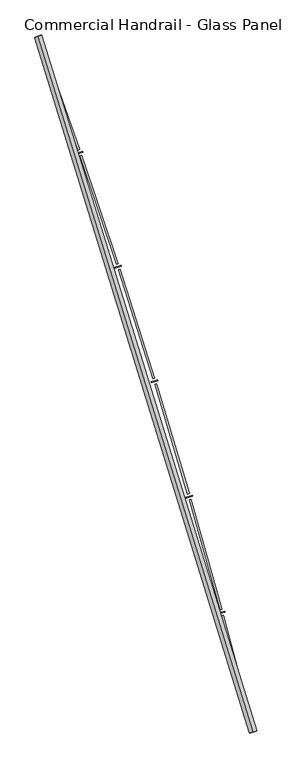
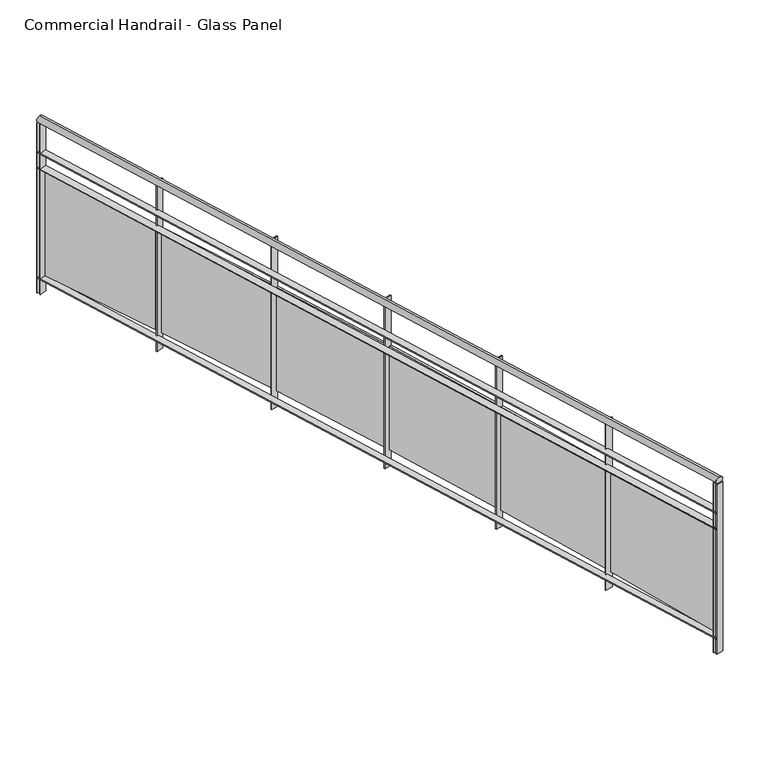
"""IFC4 building model written with IfcOpenShell, lengths in millimetres: railing geometry, Commercial Handrail - Glass Panel."""

from ifc_helpers import new_model, si_unit, point, frame, origin, place, context, project, spatial, polyline, circle_curve, ellipse_curve, trimmed, outline, extrude, source, transform, mapped, element, save
from ifc_brep_helpers import plane_surface, cylinder_surface, revolved_surface, advanced_brep


def commercial_handrail_glass_panel_bb41886c(model_context):
    return source(origin(), model_context, "Body", "SolidModel", [
        advanced_brep(
        [(180775.6028582, -41782.2225015, 23082.5), (179346.0628414, -37160.8311359, 23082.5), (179346.0628414, -37160.8311359, 23117.5), (180775.6028582, -41782.2225015, 23117.5)],
        [
            (0, 1, circle_curve(frame((134505.1876621, -53563.3040857, 23082.5), z_axis=(0.0, 0.0, 1.0), x_axis=(0.9391412678699065, 0.3435311906999195, 0.0)), 47746.6774311)),
            (1, 2, ellipse_curve(frame((179346.0628414, -37160.8311359, 23100.0), z_axis=(0.34353119069991367, -0.9391412678699088, 0.0), x_axis=(-0.9391412678699086, -0.3435311906999136, 0.0)), 25.0, 17.5)),
            (2, 3, circle_curve(frame((134505.1876621, -53563.3040857, 23117.5), z_axis=(0.0, 0.0, -1.0), x_axis=(0.9391412678699065, 0.3435311906999195, 0.0)), 47746.6774311)),
            (3, 0, ellipse_curve(frame((180775.6028582, -41782.2225015, 23100.0), z_axis=(-0.24674139056469277, 0.9690813620033158, 0.0), x_axis=(-0.9690813620033158, -0.24674139056469277, 0.0)), 25.0, 17.5)),
            (2, 1, ellipse_curve(frame((179346.0628414, -37160.8311359, 23100.0), z_axis=(0.34353119069991367, -0.9391412678699088, 0.0), x_axis=(-0.9391412678699086, -0.3435311906999136, 0.0)), 25.0, 17.5)),
            (0, 3, ellipse_curve(frame((180775.6028582, -41782.2225015, 23100.0), z_axis=(-0.24674139056469277, 0.9690813620033158, 0.0), x_axis=(-0.9690813620033158, -0.24674139056469277, 0.0)), 25.0, 17.5)),
        ],
        [
            revolved_surface(trimmed(ellipse_curve(frame((179346.0628414, -37160.8311359, 23100.0), z_axis=(-0.3435311906999195, 0.9391412678699065, 0.0), x_axis=(0.0, 0.0, -1.0)), 17.5, 25.0), [point((179346.0628414, -37160.8311359, 23117.5))], [point((179346.0628414, -37160.8311359, 23082.5))], True, "CARTESIAN"), (134505.1876621, -53563.3040857, 23100.0), (0.0, 0.0, -1.0)),
            revolved_surface(trimmed(ellipse_curve(frame((179346.0628414, -37160.8311359, 23100.0), z_axis=(-0.3435311906999195, 0.9391412678699065, 0.0), x_axis=(0.0, 0.0, -1.0)), 17.5, 25.0), [point((179346.0628414, -37160.8311359, 23082.5))], [point((179346.0628414, -37160.8311359, 23117.5))], True, "CARTESIAN"), (134505.1876621, -53563.3040857, 23100.0), (0.0, 0.0, -1.0)),
            plane_surface(frame((179346.0628414, -37160.8311359, 23100.0), z_axis=(-0.3435311906999195, 0.9391412678699065, 0.0), x_axis=(0.9391412678699065, 0.3435311906999195, 0.0))),
            plane_surface(frame((180775.6028582, -41782.2225015, 23100.0), z_axis=(0.24674139056469271, -0.9690813620033158, 0.0), x_axis=(0.9690813620033158, 0.24674139056469271, 0.0))),
        ],
        [
            (0, [[1, 2, 3, 4]]),
            (1, [[-3, 5, -1, 6]]),
            (2, [[-2, -5]]),
            (3, [[-6, -4]]),
        ],
    ),
        advanced_brep(
        [(180797.4071889, -41776.6708203, 22900.0), (179367.1935199, -37153.1016841, 22900.0), (179324.9321629, -37168.5605877, 22900.0), (180753.7985276, -41787.7741828, 22900.0), (180797.4071889, -41776.6708203, 22894.0), (179367.1935199, -37153.1016841, 22894.0), (180753.7985276, -41787.7741828, 22894.0), (179324.9321629, -37168.5605877, 22894.0)],
        [
            (0, 1, circle_curve(frame((134505.1876621, -53563.3040857, 22900.0), z_axis=(0.0, 0.0, 1.0), x_axis=(0.9391412678699065, 0.3435311906999195, 0.0)), 47769.1774311)),
            (1, 2),
            (2, 3, circle_curve(frame((134505.1876621, -53563.3040857, 22900.0), z_axis=(0.0, 0.0, -1.0), x_axis=(0.9391412678699065, 0.3435311906999195, 0.0)), 47724.1774311)),
            (3, 0),
            (4, 5, circle_curve(frame((134505.1876621, -53563.3040857, 22894.0), z_axis=(0.0, 0.0, 1.0), x_axis=(0.9391412678699065, 0.3435311906999195, 0.0)), 47769.1774311)),
            (5, 1),
            (0, 4),
            (6, 7, circle_curve(frame((134505.1876621, -53563.3040857, 22894.0), z_axis=(0.0, 0.0, 1.0), x_axis=(0.9391412678699065, 0.3435311906999195, 0.0)), 47724.1774311)),
            (7, 5),
            (4, 6),
            (2, 7),
            (6, 3),
        ],
        [
            plane_surface(frame((134505.1876621, -53563.3040857, 22900.0), z_axis=(0.0, 0.0, 1.0), x_axis=(0.9391412678699065, 0.3435311906999195, 0.0))),
            cylinder_surface(frame((134505.1876621, -53563.3040857, 22900.0), z_axis=(0.0, 0.0, -1.0), x_axis=(0.9391412678699065, 0.3435311906999195, 0.0)), 47769.1774311),
            plane_surface(frame((134505.1876621, -53563.3040857, 22894.0), z_axis=(0.0, 0.0, -1.0), x_axis=(0.9391412678699065, 0.3435311906999195, 0.0))),
            revolved_surface(polyline([(179324.93216279164, -37168.56058762, 22894.0), (179324.93216279164, -37168.56058762, 22900.0)]), (134505.1876621, -53563.3040857, 22900.0), (0.0, 0.0, -1.0)),
            plane_surface(frame((179346.0628414, -37160.8311359, 22900.0), z_axis=(-0.3435311906999195, 0.9391412678699065, 0.0), x_axis=(0.9391412678699065, 0.3435311906999195, 0.0))),
            plane_surface(frame((180775.6028582, -41782.2225015, 22900.0), z_axis=(0.24674139056469271, -0.9690813620033158, 0.0), x_axis=(0.9690813620033158, 0.24674139056469271, 0.0))),
        ],
        [
            (0, [[1, 2, 3, 4]]),
            (1, [[5, 6, -1, 7]]),
            (2, [[8, 9, -5, 10]]),
            (3, [[-3, 11, -8, 12]]),
            (4, [[-2, -6, -9, -11]]),
            (5, [[-12, -10, -7, -4]]),
        ],
    ),
        advanced_brep(
        [(180797.4071889, -41776.6708203, 22800.0), (179367.1935199, -37153.1016841, 22800.0), (179324.9321629, -37168.5605877, 22800.0), (180753.7985276, -41787.7741828, 22800.0), (180797.4071889, -41776.6708203, 22794.0), (179367.1935199, -37153.1016841, 22794.0), (180753.7985276, -41787.7741828, 22794.0), (179324.9321629, -37168.5605877, 22794.0)],
        [
            (0, 1, circle_curve(frame((134505.1876621, -53563.3040857, 22800.0), z_axis=(0.0, 0.0, 1.0), x_axis=(0.9391412678699065, 0.3435311906999195, 0.0)), 47769.1774311)),
            (1, 2),
            (2, 3, circle_curve(frame((134505.1876621, -53563.3040857, 22800.0), z_axis=(0.0, 0.0, -1.0), x_axis=(0.9391412678699065, 0.3435311906999195, 0.0)), 47724.1774311)),
            (3, 0),
            (4, 5, circle_curve(frame((134505.1876621, -53563.3040857, 22794.0), z_axis=(0.0, 0.0, 1.0), x_axis=(0.9391412678699065, 0.3435311906999195, 0.0)), 47769.1774311)),
            (5, 1),
            (0, 4),
            (6, 7, circle_curve(frame((134505.1876621, -53563.3040857, 22794.0), z_axis=(0.0, 0.0, 1.0), x_axis=(0.9391412678699065, 0.3435311906999195, 0.0)), 47724.1774311)),
            (7, 5),
            (4, 6),
            (2, 7),
            (6, 3),
        ],
        [
            plane_surface(frame((134505.1876621, -53563.3040857, 22800.0), z_axis=(0.0, 0.0, 1.0), x_axis=(0.9391412678699065, 0.3435311906999195, 0.0))),
            cylinder_surface(frame((134505.1876621, -53563.3040857, 22800.0), z_axis=(0.0, 0.0, -1.0), x_axis=(0.9391412678699065, 0.3435311906999195, 0.0)), 47769.1774311),
            plane_surface(frame((134505.1876621, -53563.3040857, 22794.0), z_axis=(0.0, 0.0, -1.0), x_axis=(0.9391412678699065, 0.3435311906999195, 0.0))),
            revolved_surface(polyline([(179324.93216279164, -37168.56058762, 22794.0), (179324.93216279164, -37168.56058762, 22800.0)]), (134505.1876621, -53563.3040857, 22800.0), (0.0, 0.0, -1.0)),
            plane_surface(frame((179346.0628414, -37160.8311359, 22800.0), z_axis=(-0.3435311906999195, 0.9391412678699065, 0.0), x_axis=(0.9391412678699065, 0.3435311906999195, 0.0))),
            plane_surface(frame((180775.6028582, -41782.2225015, 22800.0), z_axis=(0.24674139056469271, -0.9690813620033158, 0.0), x_axis=(0.9690813620033158, 0.24674139056469271, 0.0))),
        ],
        [
            (0, [[1, 2, 3, 4]]),
            (1, [[5, 6, -1, 7]]),
            (2, [[8, 9, -5, 10]]),
            (3, [[-3, 11, -8, 12]]),
            (4, [[-2, -6, -9, -11]]),
            (5, [[-12, -10, -7, -4]]),
        ],
    ),
        advanced_brep(
        [(180797.4071889, -41776.6708203, 22100.0), (179367.1935199, -37153.1016841, 22100.0), (179324.9321629, -37168.5605877, 22100.0), (180753.7985276, -41787.7741828, 22100.0), (180797.4071889, -41776.6708203, 22094.0), (179367.1935199, -37153.1016841, 22094.0), (180753.7985276, -41787.7741828, 22094.0), (179324.9321629, -37168.5605877, 22094.0)],
        [
            (0, 1, circle_curve(frame((134505.1876621, -53563.3040857, 22100.0), z_axis=(0.0, 0.0, 1.0), x_axis=(0.9391412678699065, 0.3435311906999195, 0.0)), 47769.1774311)),
            (1, 2),
            (2, 3, circle_curve(frame((134505.1876621, -53563.3040857, 22100.0), z_axis=(0.0, 0.0, -1.0), x_axis=(0.9391412678699065, 0.3435311906999195, 0.0)), 47724.1774311)),
            (3, 0),
            (4, 5, circle_curve(frame((134505.1876621, -53563.3040857, 22094.0), z_axis=(0.0, 0.0, 1.0), x_axis=(0.9391412678699065, 0.3435311906999195, 0.0)), 47769.1774311)),
            (5, 1),
            (0, 4),
            (6, 7, circle_curve(frame((134505.1876621, -53563.3040857, 22094.0), z_axis=(0.0, 0.0, 1.0), x_axis=(0.9391412678699065, 0.3435311906999195, 0.0)), 47724.1774311)),
            (7, 5),
            (4, 6),
            (2, 7),
            (6, 3),
        ],
        [
            plane_surface(frame((134505.1876621, -53563.3040857, 22100.0), z_axis=(0.0, 0.0, 1.0), x_axis=(0.9391412678699065, 0.3435311906999195, 0.0))),
            cylinder_surface(frame((134505.1876621, -53563.3040857, 22100.0), z_axis=(0.0, 0.0, -1.0), x_axis=(0.9391412678699065, 0.3435311906999195, 0.0)), 47769.1774311),
            plane_surface(frame((134505.1876621, -53563.3040857, 22094.0), z_axis=(0.0, 0.0, -1.0), x_axis=(0.9391412678699065, 0.3435311906999195, 0.0))),
            revolved_surface(polyline([(179324.93216279164, -37168.56058762, 22094.0), (179324.93216279164, -37168.56058762, 22100.0)]), (134505.1876621, -53563.3040857, 22100.0), (0.0, 0.0, -1.0)),
            plane_surface(frame((179346.0628414, -37160.8311359, 22100.0), z_axis=(-0.3435311906999195, 0.9391412678699065, 0.0), x_axis=(0.9391412678699065, 0.3435311906999195, 0.0))),
            plane_surface(frame((180775.6028582, -41782.2225015, 22100.0), z_axis=(0.24674139056469271, -0.9690813620033158, 0.0), x_axis=(0.9690813620033158, 0.24674139056469271, 0.0))),
        ],
        [
            (0, [[1, 2, 3, 4]]),
            (1, [[5, 6, -1, 7]]),
            (2, [[8, 9, -5, 10]]),
            (3, [[-3, 11, -8, 12]]),
            (4, [[-2, -6, -9, -11]]),
            (5, [[-12, -10, -7, -4]]),
        ],
    ),
        extrude(outline(polyline([(180748.1806794, -41765.7315693), (180791.7847427, -41754.6101634), (180793.2675968, -41760.4240385), (180749.6635336, -41771.5454444), (180748.1806794, -41765.7315693)])), frame((0.0, 0.0, 22000.0), z_axis=(0.0, 0.0, 1.0), x_axis=(1.0, 0.0, 0.0)), (0.0, 0.0, 1.0), 1082.1192282),
        extrude(outline(polyline([(180579.0506002, -41006.960836), (180773.041554, -41741.7856518), (180761.4390569, -41744.8486668), (180567.4481031, -41010.0238511), (180579.0506002, -41006.960836)])), frame((0.0, 0.0, 22120.0), z_axis=(0.0, 0.0, 1.0), x_axis=(1.0, 0.0, 0.0)), (0.0, 0.0, 1.0), 660.0),
        extrude(outline(polyline([(180544.0296903, -40992.6181386), (180587.4413017, -40980.7677378), (180589.0213551, -40986.5559526), (180545.6097438, -40998.4063534), (180544.0296903, -40992.6181386)])), frame((0.0, 0.0, 22000.0), z_axis=(0.0, 0.0, 1.0), x_axis=(1.0, 0.0, 0.0)), (0.0, 0.0, 1.0), 1082.1192282),
        extrude(outline(polyline([(180362.2106717, -40236.7875664), (180568.485878, -40968.2590554), (180556.9363282, -40971.5160323), (180350.6611219, -40240.0445433), (180362.2106717, -40236.7875664)])), frame((0.0, 0.0, 22120.0), z_axis=(0.0, 0.0, 1.0), x_axis=(1.0, 0.0, 0.0)), (0.0, 0.0, 1.0), 660.0),
        extrude(outline(polyline([(180326.9543755, -40223.0336333), (180370.1613482, -40210.4575643), (180371.8381574, -40216.218494), (180328.6311847, -40228.794563), (180326.9543755, -40223.0336333)])), frame((0.0, 0.0, 22000.0), z_axis=(0.0, 0.0, 1.0), x_axis=(1.0, 0.0, 0.0)), (0.0, 0.0, 1.0), 1082.1192282),
        extrude(outline(polyline([(180132.4974589, -39470.3554039), (180350.9990108, -40198.2682227), (180339.5056505, -40201.7182472), (180121.0040986, -39473.8054284), (180132.4974589, -39470.3554039)])), frame((0.0, 0.0, 22120.0), z_axis=(0.0, 0.0, 1.0), x_axis=(1.0, 0.0, 0.0)), (0.0, 0.0, 1.0), 660.0),
        extrude(outline(polyline([(180097.0156738, -39457.1940962), (180140.0058784, -39443.8958894), (180141.7789726, -39449.6279167), (180098.788768, -39462.9261235), (180097.0156738, -39457.1940962)])), frame((0.0, 0.0, 22000.0), z_axis=(0.0, 0.0, 1.0), x_axis=(1.0, 0.0, 0.0)), (0.0, 0.0, 1.0), 1082.1192282),
        extrude(outline(polyline([(179889.9754484, -38707.8795063), (180120.6420068, -39432.0293105), (180109.2080625, -39435.6714141), (179878.5415042, -38711.5216099), (179889.9754484, -38707.8795063)])), frame((0.0, 0.0, 22120.0), z_axis=(0.0, 0.0, 1.0), x_axis=(1.0, 0.0, 0.0)), (0.0, 0.0, 1.0), 660.0),
        extrude(outline(polyline([(179854.278135, -38695.3145188), (179897.0395032, -38681.2979075), (179898.9083847, -38686.9994232), (179856.1470165, -38701.0160346), (179854.278135, -38695.3145188)])), frame((0.0, 0.0, 22000.0), z_axis=(0.0, 0.0, 1.0), x_axis=(1.0, 0.0, 0.0)), (0.0, 0.0, 1.0), 1082.1192282),
        extrude(outline(polyline([(179634.7127226, -37949.5739211), (179877.4795332, -38669.7574225), (179866.1082147, -38673.5905826), (179623.3414042, -37953.4070812), (179634.7127226, -37949.5739211)])), frame((0.0, 0.0, 22120.0), z_axis=(0.0, 0.0, 1.0), x_axis=(1.0, 0.0, 0.0)), (0.0, 0.0, 1.0), 660.0),
        extrude(outline(polyline([(179598.8099021, -37937.608781), (179641.3304295, -37922.8776999), (179643.2945737, -37928.5471036), (179600.7740463, -37943.2781847), (179598.8099021, -37937.608781)])), frame((0.0, 0.0, 22000.0), z_axis=(0.0, 0.0, 1.0), x_axis=(1.0, 0.0, 0.0)), (0.0, 0.0, 1.0), 1082.1192282),
        extrude(outline(polyline([(179366.7809405, -37195.6515245), (179621.5798522, -37911.6665486), (179610.2743518, -37915.6896893), (179355.4754402, -37199.6746652), (179366.7809405, -37195.6515245)])), frame((0.0, 0.0, 22120.0), z_axis=(0.0, 0.0, 1.0), x_axis=(1.0, 0.0, 0.0)), (0.0, 0.0, 1.0), 660.0),
        extrude(outline(polyline([(179330.6826918, -37184.2895909), (179372.9504418, -37168.8481755), (179375.0092972, -37174.4838755), (179332.7415472, -37189.9252909), (179330.6826918, -37184.2895909)])), frame((0.0, 0.0, 22000.0), z_axis=(0.0, 0.0, 1.0), x_axis=(1.0, 0.0, 0.0)), (0.0, 0.0, 1.0), 1082.1192282),
        extrude(outline(polyline([(180753.0583034, -41784.8669387), (180796.6669647, -41773.7635762), (180798.147413, -41779.5780643), (180754.5387518, -41790.6814269), (180753.0583034, -41784.8669387)])), frame((0.0, 0.0, 22000.0), z_axis=(0.0, 0.0, 1.0), x_axis=(1.0, 0.0, 0.0)), (0.0, 0.0, 1.0), 1082.1192282),
        extrude(outline(polyline([(179323.9015693, -37165.7431638), (179366.1629263, -37150.2842603), (179368.2241135, -37155.9191079), (179325.9627564, -37171.3780115), (179323.9015693, -37165.7431638)])), frame((0.0, 0.0, 22000.0), z_axis=(0.0, 0.0, 1.0), x_axis=(1.0, 0.0, 0.0)), (0.0, 0.0, 1.0), 1082.1192282),
    ])


if __name__ == "__main__":
    model = new_model("IFC4")
    model_context = context("Model", 3, world=origin())
    ifc_project = project(units=[si_unit("LENGTHUNIT", "METRE", prefix="MILLI")], contexts=[model_context])
    site = spatial("IfcSite", under=ifc_project)
    building = spatial("IfcBuilding", under=site)
    placement = place(None, origin())
    commercial_handrail_glass_panel_shape = commercial_handrail_glass_panel_bb41886c(model_context)
    element("IfcRailing", 1, ObjectType="Commercial Handrail - Glass Panel", at=placement, inside=building, context=model_context, shape_type="MappedRepresentation", body=[
        mapped(commercial_handrail_glass_panel_shape, transform((0.0, 0.0, 0.0), x_axis=(1.0, 0.0, 0.0), y_axis=(0.0, 1.0, 0.0), z_axis=(0.0, 0.0, 1.0))),
    ])
    save(model, "model.ifc")
